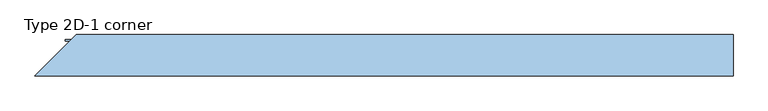
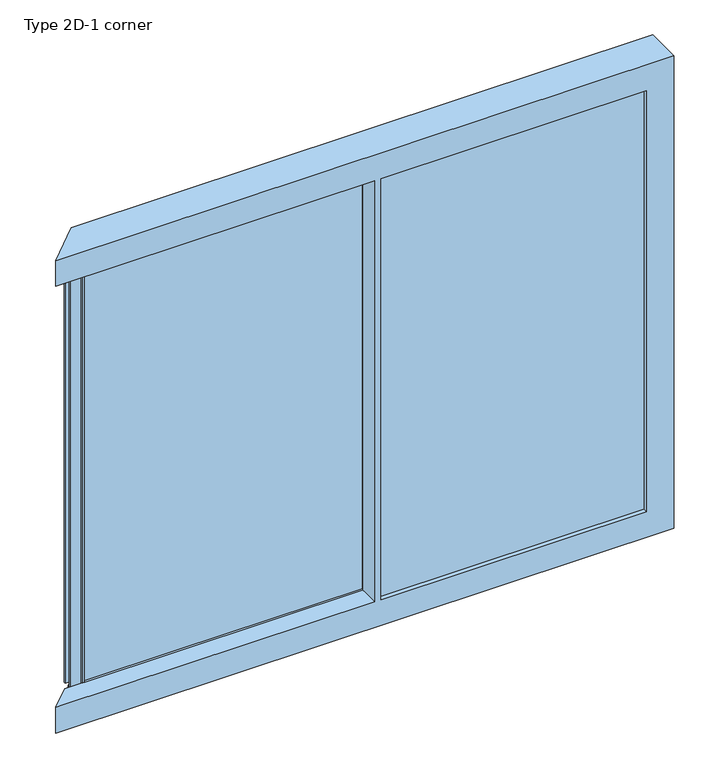
"""IFC4 building model written with IfcOpenShell, lengths in millimetres: window geometry, Type 2D-1 corner."""

from ifc_helpers import new_model, si_unit, frame, origin, place, context, project, spatial, polyline, outline, extrude, faceted_brep, source, transform, mapped, element, save


def type_2d_1_corner_cc5cec25(model_context):
    return source(origin(), model_context, "Body", "SolidModel", [
        extrude(outline(polyline([(-1492.0, 33.0003994), (-1552.0, 33.0003994), (-1552.0, 41.0003994), (-1512.0, 41.0003994), (-1512.0, 79.0003994), (-1552.0, 79.0003994), (-1552.0, 87.0003994), (-1522.9998003, 87.0003994), (-1511.5, 98.5001997), (-1492.0, 98.5001997), (-1492.0, 33.0003994)])), frame((0.0, 0.0, -15.0), z_axis=(0.0, 0.0, 1.0), x_axis=(1.0, 0.0, 0.0)), (0.0, 0.0, 1.0), 2470.0),
        faceted_brep([(68.0, 2.5, 0.0), (68.0, 21.5001997, 0.0), (87.800073, 21.5001997, 0.0), (87.800073, 2.5, 0.0), (87.800073, 110.0, 0.0), (87.800073, 98.5, 0.0), (53.0, 98.5, 0.0), (53.0, 110.0, 0.0), (68.0, 2.5, 2440.0), (87.800073, 2.5, 2440.0), (87.800073, 110.0, 2440.0), (87.800073, 98.5, 2440.0), (87.800073, 98.5, 2455.0), (87.800073, 21.5001997, 2455.0), (87.800073, 21.5001997, 2440.0), (87.800073, 21.5001997, -15.0), (87.800073, 98.5, -15.0), (68.0, 21.5001997, 2440.0), (-1492.0, 21.5001997, 2455.0), (-1492.0, 21.5001997, -15.0), (-1477.0, 21.5001997, 2440.0), (53.0, 21.5001997, 2440.0), (53.0, 21.5001997, 0.0), (-1477.0, 21.5001997, 0.0), (53.0, 110.0, 2440.0), (53.0, 87.0001997, 0.0), (53.0, 87.0001997, 2440.0), (53.0, 98.5, 2440.0), (-1477.0, 98.5, 0.0), (-1492.0, 98.5, -15.0), (-1492.0, 98.5, 2455.0), (-1477.0, 98.5, 2440.0), (-1487.8, 87.0001997, -10.8), (63.8, 87.0001997, -10.8), (63.8, 87.0001997, 2450.8), (-1487.8, 87.0001997, 2450.8), (-1477.0, 87.0001997, 2440.0), (-1477.0, 87.0001997, 0.0), (-1487.8, 33.0001997, 2450.8), (-1487.8, 33.0001997, -10.8), (63.8, 33.0001997, -10.8), (63.8, 33.0001997, 2450.8), (-1477.0, 33.0001997, 0.0), (53.0, 33.0001997, 0.0), (53.0, 33.0001997, 2440.0), (-1477.0, 33.0001997, 2440.0)], [[[0, 1, 2, 3]], [[4, 5, 6, 7]], [[8, 0, 3, 9]], [[10, 11, 12, 13, 14, 9, 3, 2, 15, 16, 5, 4]], [[15, 2, 1, 17, 14, 13, 18, 19], [20, 21, 22, 23]], [[8, 17, 1, 0]], [[10, 4, 7, 24]], [[24, 7, 6, 25, 26, 27]], [[28, 6, 5, 16, 29, 30, 12, 11, 27, 31]], [[32, 33, 34, 35], [36, 26, 25, 37]], [[37, 25, 6, 28]], [[29, 16, 15, 19]], [[36, 37, 28, 31]], [[38, 39, 32, 35]], [[39, 40, 33, 32]], [[38, 41, 40, 39], [42, 43, 44, 45]], [[20, 23, 42, 45]], [[23, 22, 43, 42]], [[40, 41, 34, 33]], [[22, 21, 44, 43]], [[9, 14, 17, 8]], [[11, 10, 24, 27]], [[31, 27, 26, 36]], [[35, 34, 41, 38]], [[45, 44, 21, 20]], [[13, 12, 30, 18]], [[30, 29, 19, 18]]]),
        extrude(outline(polyline([(63.8, 87.0001997), (63.8, 33.0001997), (-1487.8, 33.0001997), (-1487.8, 87.0001997), (63.8, 87.0001997)])), frame((0.0, 0.0, -10.8), z_axis=(0.0, 0.0, 1.0), x_axis=(1.0, 0.0, 0.0)), (0.0, 0.0, 1.0), 2461.6),
        faceted_brep([(1690.0, 110.0, 2590.0), (1690.0, 110.0, -150.0), (-1500.0, 110.0, -150.0), (-1500.0, 110.0, 0.0), (1540.0, 110.0, 0.0), (1540.0, 110.0, 2440.0), (-1500.0, 110.0, 2440.0), (-1500.0, 110.0, 2590.0), (1690.0, -90.0, 2590.0), (1690.0, -90.0, -150.0), (-1700.0, -90.0, -150.0), (-1511.5, 98.5, 2440.0), (-1511.5, 98.5, 2503.5), (-1588.5, 21.5, 2503.5), (-1588.5, 21.5, 2440.0), (-1700.0, -90.0, 2440.0), (-1700.0, -90.0, 2590.0), (-1611.5, -1.5, 2460.0), (-1611.5, -1.5, 2503.5), (-1688.5, -78.5, 2503.5), (-1688.5, -78.5, 2460.0), (-1700.0, -90.0, 0.0), (-1588.5, 21.5, 0.0), (-1588.5, 21.5, -63.5), (-1511.5, 98.5, -63.5), (-1511.5, 98.5, 0.0), (-1611.5, -1.5, -63.5), (-1611.5, -1.5, -20.0), (-1688.5, -78.5, -20.0), (-1688.5, -78.5, -63.5), (1540.0, 98.5, 0.0), (1540.0, 98.5, -15.0), (1540.0, 21.5, -15.0), (1540.0, 21.5, 0.0), (1540.0, -12.9998003, 0.0), (1540.0, -12.9998003, 2440.0), (1540.0, 21.5, 2440.0), (1540.0, 21.5, 2455.0), (1540.0, 98.5, 2455.0), (1540.0, 98.5, 2440.0), (1603.5, 98.5, 2503.5), (1603.5, 98.5, -63.5), (1603.5, 21.5, -63.5), (1603.5, 21.5, 2503.5), (1555.0, 98.5, 2455.0), (1555.0, 98.5, -15.0), (1555.0, 21.5, 2455.0), (1555.0, 21.5, -15.0), (48.0, -90.0, 0.0), (48.0, 17.5, 0.0), (68.0, 17.5, 0.0), (68.0, -1.5, 0.0), (83.0, -1.5, 0.0), (83.0, -12.9998003, 0.0), (1540.0, -90.0, 0.0), (1540.0, -66.9998003, 0.0), (83.0, -66.9998003, 0.0), (83.0, -90.0, 0.0), (1603.5, -1.5, 2503.5), (1603.5, -1.5, -63.5), (1603.5, -78.5, -63.5), (1603.5, -78.5, 2503.5), (68.0, -1.5, 2460.0), (68.0, -1.5, 2455.0), (1555.0, -1.5, 2455.0), (1555.0, -1.5, -15.0), (68.0, -1.5, -15.0), (68.0, -1.5, -20.0), (1555.0, -78.5, 2455.0), (1555.0, -78.5, -15.0), (68.0, -78.5, -15.0), (68.0, -78.5, -20.0), (68.0, 17.5, 2440.0), (68.0, -1.5, 2440.0), (68.0, -78.5, 2460.0), (68.0, -78.5, 2455.0), (48.0, -90.0, 2440.0), (1540.0, -90.0, 2440.0), (83.0, -90.0, 2440.0), (48.0, 17.5, 2440.0), (1540.0, -66.9998003, 2440.0), (83.0, -66.9998003, 2440.0), (1550.8, -12.9998003, -10.8), (1550.8, -12.9998003, 2450.8), (72.2, -12.9998003, 2450.8), (72.2, -12.9998003, -10.8), (83.0, -12.9998003, 2440.0), (1550.8, -66.9998003, 2450.8), (1550.8, -66.9998003, -10.8), (72.2, -66.9998003, -10.8), (72.2, -66.9998003, 2450.8), (83.0, -1.5, 2440.0)], [[[0, 1, 2, 3, 4, 5, 6, 7]], [[1, 0, 8, 9]], [[9, 10, 2, 1]], [[7, 6, 11, 12, 13, 14, 15, 16], [17, 18, 19, 20]], [[3, 2, 10, 21, 22, 23, 24, 25], [26, 27, 28, 29]], [[30, 4, 3, 25]], [[5, 4, 30, 31, 32, 33, 34, 35, 36, 37, 38, 39]], [[40, 41, 42, 43]], [[41, 40, 12, 11, 39, 38, 44, 45, 31, 30, 25, 24]], [[44, 46, 47, 45]], [[45, 47, 32, 31]], [[42, 41, 24, 23]], [[43, 42, 23, 22, 33, 32, 47, 46, 37, 36, 14, 13]], [[34, 33, 22, 21, 48, 49, 50, 51, 52, 53]], [[54, 55, 56, 57]], [[58, 59, 60, 61]], [[59, 58, 18, 17, 62, 63, 64, 65, 66, 67, 27, 26]], [[64, 68, 69, 65]], [[65, 69, 70, 66]], [[71, 67, 66, 70]], [[50, 72, 73, 51]], [[62, 74, 75, 63]], [[67, 71, 28, 27]], [[60, 59, 26, 29]], [[61, 60, 29, 28, 71, 70, 69, 68, 75, 74, 20, 19]], [[10, 9, 8, 16, 15, 76, 48, 21], [77, 54, 57, 78]], [[48, 76, 79, 49]], [[54, 77, 80, 55]], [[81, 78, 57, 56]], [[82, 83, 84, 85], [35, 34, 53, 86]], [[87, 88, 89, 90], [55, 80, 81, 56]], [[49, 79, 72, 50]], [[91, 52, 51, 73]], [[53, 52, 91, 86]], [[87, 83, 82, 88]], [[88, 82, 85, 89]], [[89, 85, 84, 90]], [[5, 39, 11, 6]], [[16, 8, 0, 7]], [[40, 43, 13, 12]], [[38, 37, 46, 44]], [[77, 78, 81, 80]], [[35, 86, 91, 73, 72, 79, 76, 15, 14, 36]], [[58, 61, 19, 18]], [[74, 62, 17, 20]], [[68, 64, 63, 75]], [[83, 87, 90, 84]]]),
        extrude(outline(polyline([(72.2, -13.0), (1550.8, -13.0), (1550.8, -67.0), (72.2, -67.0), (72.2, -13.0)])), frame((0.0, 0.0, -10.8), z_axis=(0.0, 0.0, 1.0), x_axis=(1.0, 0.0, 0.0)), (0.0, 0.0, 1.0), 2461.6),
        extrude(outline(polyline([(1555.0, 67.6501997), (1555.0, 52.3501997), (-1557.6498003, 52.3501997), (-1542.3498003, 67.6501997), (1555.0, 67.6501997)])), frame((0.0, 0.0, 2476.5103828), z_axis=(0.0, 0.0, 1.0), x_axis=(1.0, 0.0, 0.0)), (0.0, 0.0, 1.0), 26.9896172),
        faceted_brep([(1555.0, 21.5, -63.5), (1555.0, 98.5, -63.5), (1555.0, 98.5, -28.0), (1555.0, 69.9900671, -28.0), (1555.0, 60.0, -32.6584448), (1555.0, 50.0099329, -28.0), (1555.0, 21.5, -28.0), (-1588.5, 21.5, -28.0), (-1588.5, 21.5, -63.5), (-1559.9900671, 50.0099329, -28.0), (-1550.0, 60.0, -32.6584448), (-1540.0099329, 69.9900671, -28.0), (-1511.5, 98.5, -28.0), (-1511.5, 98.5, -63.5)], [[[0, 1, 2, 3, 4, 5, 6]], [[0, 6, 7, 8]], [[6, 5, 9, 7]], [[5, 4, 10, 9]], [[4, 3, 11, 10]], [[3, 2, 12, 11]], [[2, 1, 13, 12]], [[1, 0, 8, 13]], [[8, 7, 9, 10, 11, 12, 13]]]),
    ])


if __name__ == "__main__":
    model = new_model("IFC4")
    model_context = context("Model", 3, world=origin())
    ifc_project = project(units=[si_unit("LENGTHUNIT", "METRE", prefix="MILLI")], contexts=[model_context])
    site = spatial("IfcSite", under=ifc_project)
    building = spatial("IfcBuilding", under=site)
    placement = place(None, origin())
    type_2d_1_corner_shape = type_2d_1_corner_cc5cec25(model_context)
    element("IfcWindow", 1, ObjectType="Type 2D-1 corner", at=placement, inside=building, context=model_context, shape_type="MappedRepresentation", body=[
        mapped(type_2d_1_corner_shape, transform((0.0, 0.0, 0.0), x_axis=(1.0, 0.0, 0.0), y_axis=(0.0, 1.0, 0.0), z_axis=(0.0, 0.0, 1.0))),
    ])
    save(model, "model.ifc")
